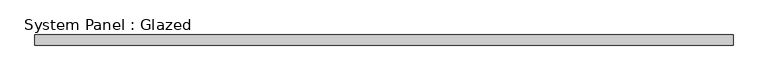
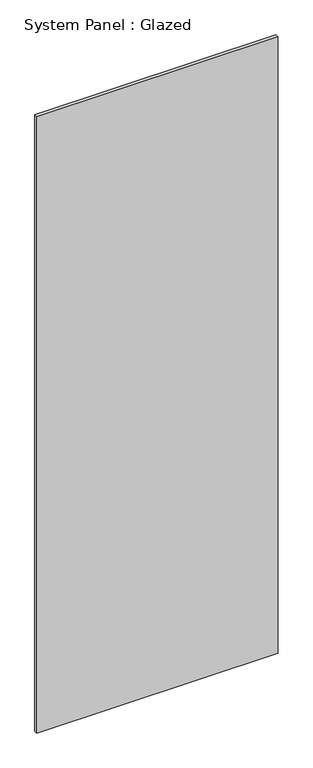
"""IFC4 building model written with IfcOpenShell, lengths in millimetres: plate geometry, System Panel : Glazed."""

from ifc_helpers import new_model, si_unit, origin, origin_with_axes, place, context, project, spatial, polyline, outline, extrude, source, transform, mapped, element, save


def system_panel_glazed_402fa4a2(model_context):
    return source(origin(), model_context, "Body", "SweptSolid", [
        extrude(outline(polyline([(833.3333333, -49.5), (-833.3333333, -49.5), (-833.3333333, -24.5), (833.3333333, -24.5), (833.3333333, -49.5)])), origin_with_axes(), (0.0, 0.0, 1.0), 4500.0),
    ])


if __name__ == "__main__":
    model = new_model("IFC4")
    model_context = context("Model", 3, world=origin())
    ifc_project = project(units=[si_unit("LENGTHUNIT", "METRE", prefix="MILLI")], contexts=[model_context])
    site = spatial("IfcSite", under=ifc_project)
    building = spatial("IfcBuilding", under=site)
    placement = place(None, origin())
    system_panel_glazed_shape = system_panel_glazed_402fa4a2(model_context)
    element("IfcPlate", 1, ObjectType="System Panel : Glazed", at=placement, inside=building, context=model_context, shape_type="MappedRepresentation", body=[
        mapped(system_panel_glazed_shape, transform((0.0, 0.0, 0.0), x_axis=(1.0, 0.0, 0.0), y_axis=(0.0, 1.0, 0.0), z_axis=(0.0, 0.0, 1.0))),
    ])
    save(model, "model.ifc")
